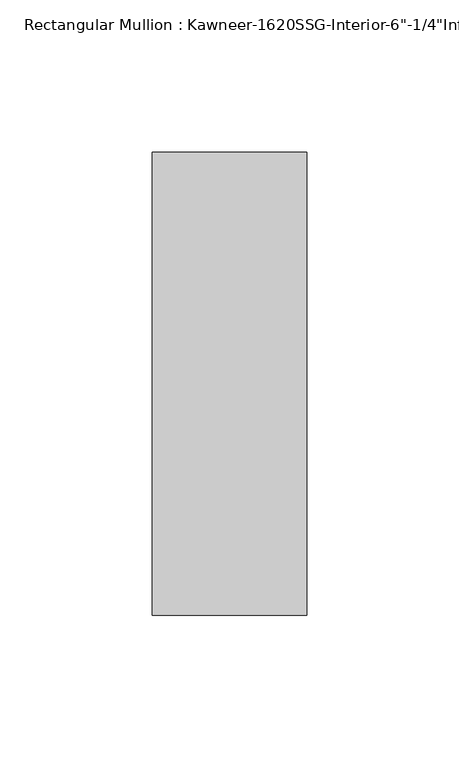
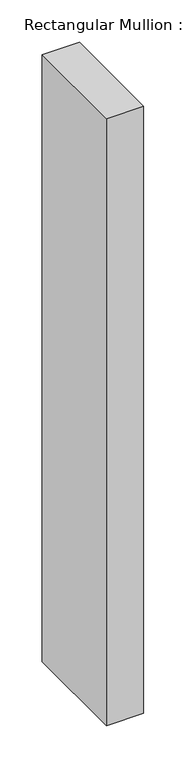
"""IFC4 building model written with IfcOpenShell, lengths in millimetres: member geometry."""

from ifc_helpers import new_model, si_unit, frame, origin, place, context, project, spatial, polyline, outline, extrude, source, transform, mapped, element, save


def member_b01dc7af(model_context):
    return source(origin(), model_context, "Body", "SweptSolid", [
        extrude(outline(polyline([(25.4, -123.825), (-25.4, -123.825), (-25.4, 28.575), (25.4, 28.575), (25.4, -123.825)])), frame((0.0, 0.0, -876.1760494), z_axis=(0.0, 0.0, 1.0), x_axis=(1.0, 0.0, 0.0)), (0.0, 0.0, 1.0), 876.1760494),
    ])


if __name__ == "__main__":
    model = new_model("IFC4")
    model_context = context("Model", 3, world=origin())
    ifc_project = project(units=[si_unit("LENGTHUNIT", "METRE", prefix="MILLI")], contexts=[model_context])
    site = spatial("IfcSite", under=ifc_project)
    building = spatial("IfcBuilding", under=site)
    placement = place(None, origin())
    member_shape = member_b01dc7af(model_context)
    element("IfcMember", 1, ObjectType="Rectangular Mullion : Kawneer-1620SSG-Interior-6\"-1/4\"Infill", at=placement, inside=building, context=model_context, shape_type="MappedRepresentation", body=[
        mapped(member_shape, transform((0.0, 0.0, 0.0), x_axis=(1.0, 0.0, 0.0), y_axis=(0.0, 1.0, 0.0), z_axis=(0.0, 0.0, 1.0))),
    ])
    save(model, "model.ifc")
